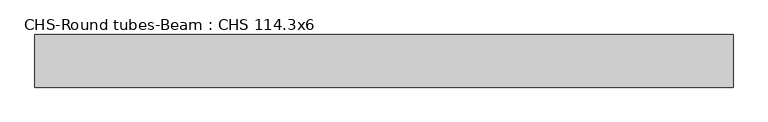
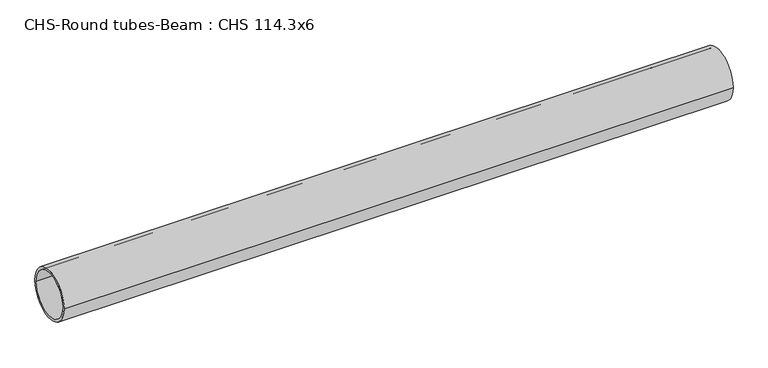
"""IFC4 building model written with IfcOpenShell, lengths in millimetres: beam geometry, CHS-Round tubes-Beam : CHS 114.3x6."""

from ifc_helpers import new_model, si_unit, point, frame, origin, origin_2d, place, context, project, spatial, circle_curve, trimmed, segment, composite_curve, outline, extrude, source, transform, mapped, element, save


def chs_round_tubes_beam_chs_114_3x6_34126800(model_context):
    return source(origin(), model_context, "Body", "SweptSolid", [
        extrude(outline(composite_curve([segment(trimmed(circle_curve(origin_2d(), 57.15), [point((57.15, 0.0))], [point((-57.15, 0.0))], False, "CARTESIAN"), True, "CONTINUOUS"), segment(trimmed(circle_curve(origin_2d(), 57.15), [point((-57.15, 0.0))], [point((57.15, 0.0))], False, "CARTESIAN"), True, "CONTINUOUS")], self_intersect=False), holes=[composite_curve([segment(trimmed(circle_curve(origin_2d(), 51.15), [point((51.15, 0.0))], [point((-51.15, 0.0))], True, "CARTESIAN"), True, "CONTINUOUS"), segment(trimmed(circle_curve(origin_2d(), 51.15), [point((-51.15, 0.0))], [point((51.15, 0.0))], True, "CARTESIAN"), True, "CONTINUOUS")], self_intersect=False)]), frame((-727.5382853, 0.0, 0.0), z_axis=(1.0, 0.0, 0.0), x_axis=(0.0, 1.0, 0.0)), (0.0, 0.0, 1.0), 1515.1818493),
    ])


if __name__ == "__main__":
    model = new_model("IFC4")
    model_context = context("Model", 3, world=origin())
    ifc_project = project(units=[si_unit("LENGTHUNIT", "METRE", prefix="MILLI")], contexts=[model_context])
    site = spatial("IfcSite", under=ifc_project)
    building = spatial("IfcBuilding", under=site)
    placement = place(None, origin())
    chs_round_tubes_beam_chs_114_3x6_shape = chs_round_tubes_beam_chs_114_3x6_34126800(model_context)
    element("IfcBeam", 1, ObjectType="CHS-Round tubes-Beam : CHS 114.3x6", at=placement, inside=building, context=model_context, shape_type="MappedRepresentation", body=[
        mapped(chs_round_tubes_beam_chs_114_3x6_shape, transform((0.0, 0.0, 0.0), x_axis=(1.0, 0.0, 0.0), y_axis=(0.0, 1.0, 0.0), z_axis=(0.0, 0.0, 1.0))),
    ])
    save(model, "model.ifc")
